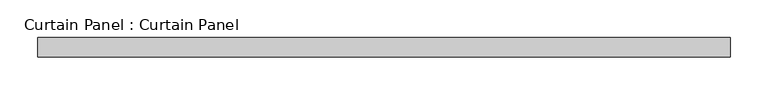
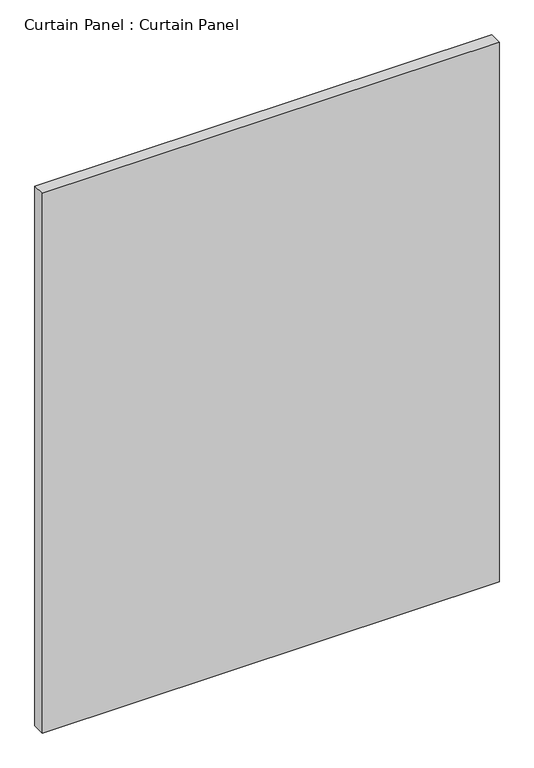
"""IFC4 building model written with IfcOpenShell, lengths in millimetres: plate geometry, Curtain Panel : Curtain Panel."""

from ifc_helpers import new_model, si_unit, frame, origin, place, context, project, spatial, polyline, outline, extrude, source, transform, mapped, element, save


def curtain_panel_curtain_panel_fda9d383(model_context):
    return source(origin(), model_context, "Body", "SweptSolid", [
        extrude(outline(polyline([(-36219.9444373, -1996.9602036), (-37134.3444373, -1996.9602036), (-37134.3444373, -1971.5602036), (-36219.9444373, -1971.5602036), (-36219.9444373, -1996.9602036)])), frame((0.0, 0.0, 1767.8274539), z_axis=(0.0, 0.0, 1.0), x_axis=(1.0, 0.0, 0.0)), (0.0, 0.0, 1.0), 1141.8462759),
    ])


if __name__ == "__main__":
    model = new_model("IFC4")
    model_context = context("Model", 3, world=origin())
    ifc_project = project(units=[si_unit("LENGTHUNIT", "METRE", prefix="MILLI")], contexts=[model_context])
    site = spatial("IfcSite", under=ifc_project)
    building = spatial("IfcBuilding", under=site)
    placement = place(None, origin())
    curtain_panel_curtain_panel_shape = curtain_panel_curtain_panel_fda9d383(model_context)
    element("IfcPlate", 1, ObjectType="Curtain Panel : Curtain Panel", at=placement, inside=building, context=model_context, shape_type="MappedRepresentation", body=[
        mapped(curtain_panel_curtain_panel_shape, transform((0.0, 0.0, 0.0), x_axis=(1.0, 0.0, 0.0), y_axis=(0.0, 1.0, 0.0), z_axis=(0.0, 0.0, 1.0))),
    ])
    save(model, "model.ifc")
